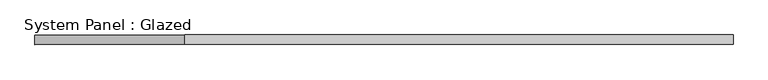
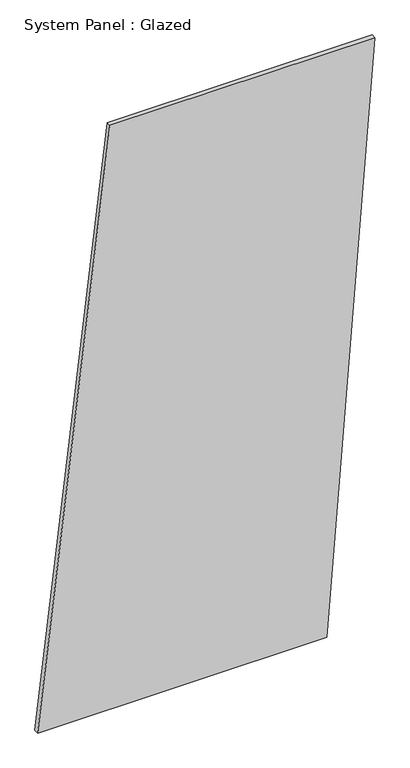
"""IFC4 building model written with IfcOpenShell, lengths in millimetres: plate geometry, System Panel : Glazed."""

from ifc_helpers import new_model, si_unit, frame, origin, place, context, project, spatial, polyline, outline, extrude, source, transform, mapped, element, save


def system_panel_glazed_98f6a2e8(model_context):
    return source(origin(), model_context, "Body", "SweptSolid", [
        extrude(outline(polyline([(0.0, -910.0751754), (0.0, 649.6921103), (3332.1999183, 910.0751754), (3332.1999183, -519.5005777), (0.0, -910.0751754)])), frame((0.0, -49.5, 0.0), z_axis=(0.0, 1.0, 0.0), x_axis=(0.0, 0.0, 1.0)), (0.0, 0.0, 1.0), 25.0),
    ])


if __name__ == "__main__":
    model = new_model("IFC4")
    model_context = context("Model", 3, world=origin())
    ifc_project = project(units=[si_unit("LENGTHUNIT", "METRE", prefix="MILLI")], contexts=[model_context])
    site = spatial("IfcSite", under=ifc_project)
    building = spatial("IfcBuilding", under=site)
    placement = place(None, origin())
    system_panel_glazed_shape = system_panel_glazed_98f6a2e8(model_context)
    element("IfcPlate", 1, ObjectType="System Panel : Glazed", at=placement, inside=building, context=model_context, shape_type="MappedRepresentation", body=[
        mapped(system_panel_glazed_shape, transform((0.0, 0.0, 0.0), x_axis=(1.0, 0.0, 0.0), y_axis=(0.0, 1.0, 0.0), z_axis=(0.0, 0.0, 1.0))),
    ])
    save(model, "model.ifc")
